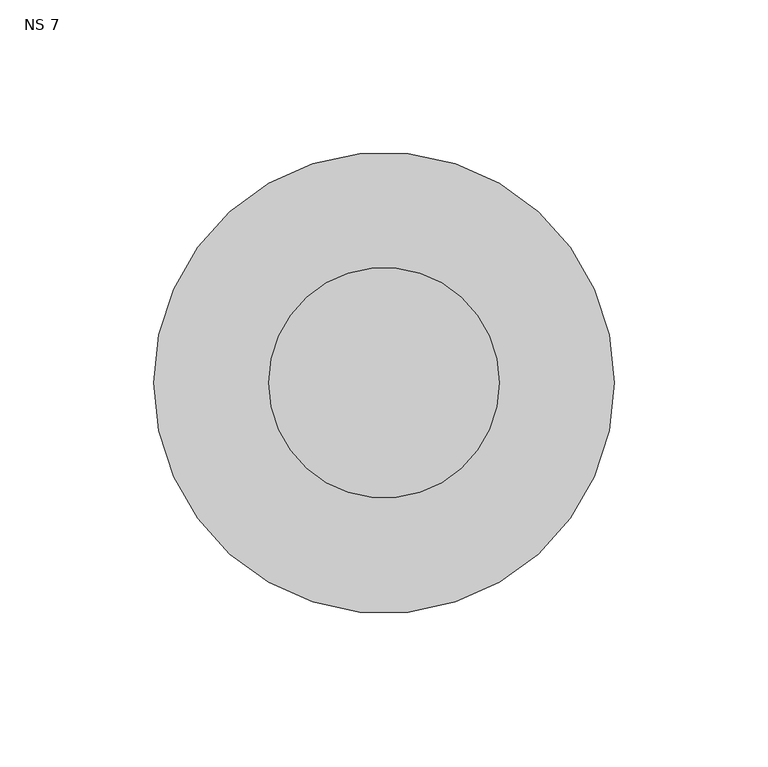
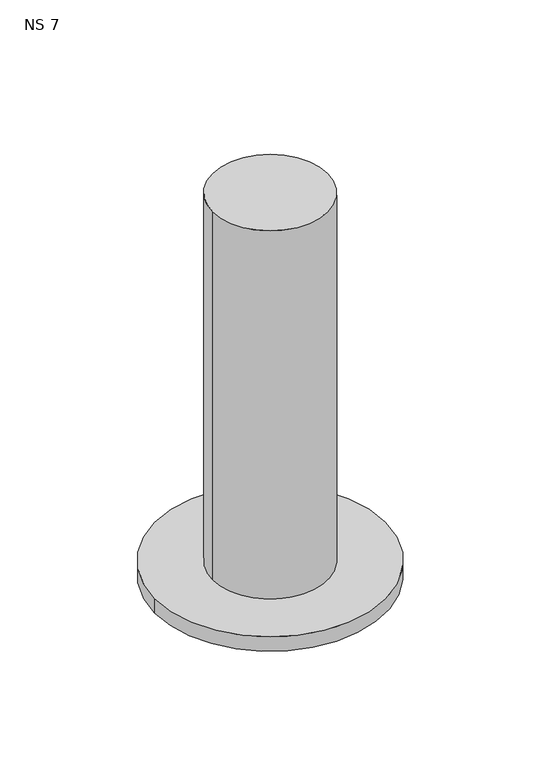
"""IFC4 building model written with IfcOpenShell, lengths in millimetres: unitary equipment geometry, NS 7."""

from ifc_helpers import new_model, si_unit, point, frame, frame_2d, origin, place, context, project, spatial, circle_curve, trimmed, segment, composite_curve, outline, extrude, source, transform, mapped, element, save


def ns_7_e0d36ea8(model_context):
    return source(origin(), model_context, "Body", "SweptSolid", [
        extrude(outline(composite_curve([segment(trimmed(circle_curve(frame_2d((-325.0, 0.0)), 37.5), [point((-362.5, 0.0))], [point((-287.5, 0.0))], False, "CARTESIAN"), True, "CONTINUOUS"), segment(trimmed(circle_curve(frame_2d((-325.0, 0.0)), 37.5), [point((-287.5, 0.0))], [point((-362.5, 0.0))], False, "CARTESIAN"), True, "CONTINUOUS")], self_intersect=False)), frame((0.0, 0.0, 1463.0), z_axis=(0.0, 0.0, 1.0), x_axis=(1.0, 0.0, 0.0)), (0.0, 0.0, 1.0), 263.0),
        extrude(outline(composite_curve([segment(trimmed(circle_curve(frame_2d((-325.0, 0.0)), 75.0), [point((-400.0, 0.0))], [point((-250.0, 0.0))], False, "CARTESIAN"), True, "CONTINUOUS"), segment(trimmed(circle_curve(frame_2d((-325.0, 0.0)), 75.0), [point((-250.0, 0.0))], [point((-400.0, 0.0))], False, "CARTESIAN"), True, "CONTINUOUS")], self_intersect=False)), frame((0.0, 0.0, 1463.0), z_axis=(0.0, 0.0, 1.0), x_axis=(1.0, 0.0, 0.0)), (0.0, 0.0, 1.0), 10.0),
    ])


if __name__ == "__main__":
    model = new_model("IFC4")
    model_context = context("Model", 3, world=origin())
    ifc_project = project(units=[si_unit("LENGTHUNIT", "METRE", prefix="MILLI")], contexts=[model_context])
    site = spatial("IfcSite", under=ifc_project)
    building = spatial("IfcBuilding", under=site)
    placement = place(None, origin())
    ns_7_shape = ns_7_e0d36ea8(model_context)
    element("IfcUnitaryEquipment", 1, ObjectType="NS 7", at=placement, inside=building, context=model_context, shape_type="MappedRepresentation", body=[
        mapped(ns_7_shape, transform((0.0, 0.0, 0.0), x_axis=(1.0, 0.0, 0.0), y_axis=(0.0, 1.0, 0.0), z_axis=(0.0, 0.0, 1.0))),
    ])
    save(model, "model.ifc")
